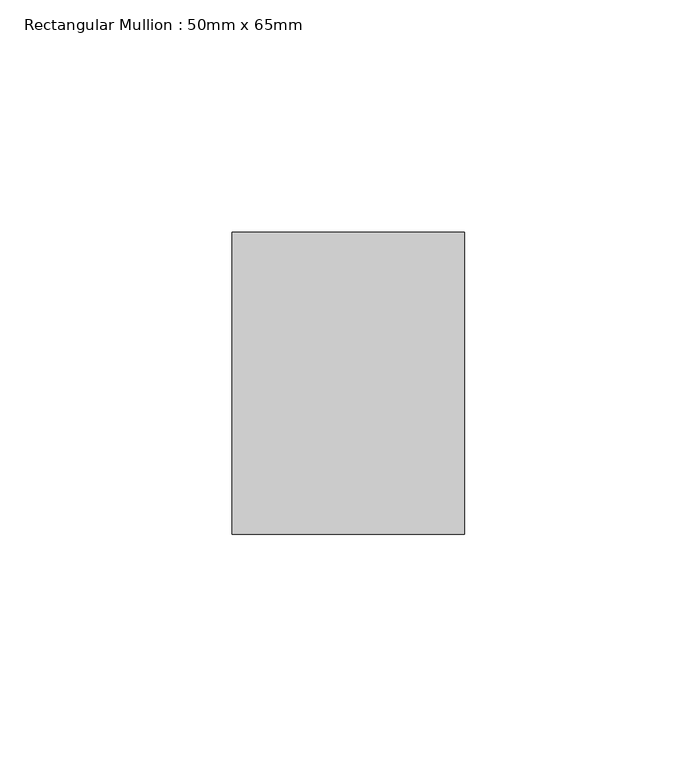
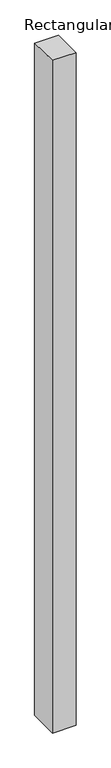
"""IFC4 building model written with IfcOpenShell, lengths in millimetres: member geometry, Rectangular Mullion : 50mm x 65mm."""

import ifcopenshell
import ifcopenshell.guid

model = None  # the IFC model being written
_history = None  # IfcOwnerHistory: only IFC2X3 demands one
_inside = {}  # id of a spatial element -> (the spatial element, [elements in it])
_under = {}  # id of a project, library or spatial element -> (it, [spatial elements below it])
_declared = {}  # id of a project -> (the project, [libraries it declares])
_typed = {}  # id of a type object -> (the type object, [elements of that type])
_made_of = {}  # id of a material, layer set ... -> (it, [elements and type objects made of it])


def new_model(schema):
    """Start an empty IFC model of exactly this schema.

    Asked for "IFC4X3", IfcOpenShell would pick the latest addendum, in which some entities
    have other attributes; the version numbers below select the first issue.
    IFC2X3 requires an IfcOwnerHistory on every rooted entity: one is made here for all.
    """
    global model, _history
    if schema == "IFC4X3":
        model = ifcopenshell.file(schema_version=(4, 3, 0, 0))
    else:
        model = ifcopenshell.file(schema=schema)
    _inside.clear()
    _under.clear()
    _declared.clear()
    _typed.clear()
    _made_of.clear()
    _history = None
    if model.schema == "IFC2X3":
        org = make("IfcOrganization", Name="unknown")
        user = make(
            "IfcPersonAndOrganization",
            ThePerson=make("IfcPerson", FamilyName="unknown"),
            TheOrganization=org,
        )
        app = make(
            "IfcApplication",
            ApplicationDeveloper=org,
            Version="unknown",
            ApplicationFullName="unknown",
            ApplicationIdentifier="unknown",
        )
        _history = make(
            "IfcOwnerHistory",
            OwningUser=user,
            OwningApplication=app,
            ChangeAction="ADDED",
            CreationDate=0,
        )
    return model


def make(cls, **values):
    """One entity of the class cls with the attributes given. An attribute that is None is left unset."""
    return model.create_entity(
        cls, **{name: value for name, value in values.items() if value is not None}
    )


def rooted(cls, **values):
    """An entity with a GlobalId (a new one), such as an element, a storey or a relation."""
    return make(cls, GlobalId=ifcopenshell.guid.new(), OwnerHistory=_history, **values)


def si_unit(unit_type, name, prefix=None):
    """IfcSIUnit, for example si_unit("LENGTHUNIT", "METRE", prefix="MILLI")."""
    return make("IfcSIUnit", UnitType=unit_type, Prefix=prefix, Name=name)


def assignment(units):
    """IfcUnitAssignment: the units of a project."""
    return None if units is None else make("IfcUnitAssignment", Units=units)


def point(xyz):
    """IfcCartesianPoint."""
    return None if xyz is None else make("IfcCartesianPoint", Coordinates=xyz)


def direction(xyz):
    """IfcDirection."""
    return None if xyz is None else make("IfcDirection", DirectionRatios=xyz)


def frame(location, z_axis=None, x_axis=None):
    """IfcAxis2Placement3D, a coordinate frame: its origin and axes. An axis left out is left unset."""
    return make(
        "IfcAxis2Placement3D",
        Location=point(location),
        Axis=direction(z_axis),
        RefDirection=direction(x_axis),
    )


def origin():
    """The frame at (0, 0, 0) with its axes left unset."""
    return frame((0.0, 0.0, 0.0))


def place(relative_to, where):
    """IfcLocalPlacement: puts the frame where relative to a parent placement (None: the world)."""
    return make(
        "IfcLocalPlacement", PlacementRelTo=relative_to, RelativePlacement=where
    )


def context(
    kind, dimensions, precision=None, world=None, true_north=None, identifier=None
):
    """IfcGeometricRepresentationContext, for example the 3D "Model" context."""
    return make(
        "IfcGeometricRepresentationContext",
        ContextIdentifier=identifier,
        ContextType=kind,
        CoordinateSpaceDimension=dimensions,
        Precision=precision,
        WorldCoordinateSystem=world,
        TrueNorth=true_north,
    )


def project(units=None, contexts=None):
    """IfcProject with its units and contexts."""
    return rooted(
        "IfcProject",
        Name="project",
        RepresentationContexts=contexts,
        UnitsInContext=assignment(units),
    )


def spatial(cls, under=None, at=None, **own):
    """A site, building, storey or space (cls), placed at a placement, below another one or the project."""
    s = rooted(cls, ObjectPlacement=at, **own)
    if under is not None:
        _under.setdefault(under.id(), (under, []))[1].append(s)
    return s


def faces_of(points, faces, orient=None, outer=None):
    """IfcFace entities. A face is a list of loops; a loop is a list of indices into points, from 0.

    orient and outer hold one flag for each loop. By default every Orientation is true, the
    first loop of a face is its IfcFaceOuterBound and the others are IfcFaceBound.
    """
    made = []
    for i, loops in enumerate(faces):
        bounds = []
        for j, loop in enumerate(loops):
            is_outer = j == 0 if outer is None else outer[i][j]
            bounds.append(
                make(
                    "IfcFaceOuterBound" if is_outer else "IfcFaceBound",
                    Bound=make("IfcPolyLoop", Polygon=[points[k] for k in loop]),
                    Orientation=True if orient is None else orient[i][j],
                )
            )
        made.append(make("IfcFace", Bounds=bounds))
    return made


def faceted_brep(points, faces, orient=None, outer=None, voids=None):
    """IfcFacetedBrep: a solid bounded by flat faces; with voids (closed shells), ...WithVoids."""
    shared = [point(p) for p in points]
    hull = make("IfcClosedShell", CfsFaces=faces_of(shared, faces, orient, outer))
    if voids is None:
        return make("IfcFacetedBrep", Outer=hull)
    return make(
        "IfcFacetedBrepWithVoids",
        Outer=hull,
        Voids=[
            make(cls, CfsFaces=faces_of(shared, fs, o, b)) for cls, fs, o, b in voids
        ],
    )


def shape(context_of_items, identifier, shape_type, items):
    """IfcShapeRepresentation: the items that make up one representation, for example the "Body"."""
    return make(
        "IfcShapeRepresentation",
        ContextOfItems=context_of_items,
        RepresentationIdentifier=identifier,
        RepresentationType=shape_type,
        Items=items,
    )


def source(mapping_origin, context_of_items, identifier, shape_type, items):
    """IfcRepresentationMap: a shape defined once, which mapped items show again and again."""
    return make(
        "IfcRepresentationMap",
        MappingOrigin=mapping_origin,
        MappedRepresentation=shape(context_of_items, identifier, shape_type, items),
    )


def transform(
    local_origin,
    x_axis=None,
    y_axis=None,
    z_axis=None,
    scale=None,
    scale2=None,
    scale3=None,
    uniform=True,
):
    """IfcCartesianTransformationOperator3D, or its non-uniform kind. x_axis, y_axis, z_axis: its Axis1, 2, 3."""
    if uniform:
        return make(
            "IfcCartesianTransformationOperator3D",
            Axis1=direction(x_axis),
            Axis2=direction(y_axis),
            LocalOrigin=point(local_origin),
            Scale=scale,
            Axis3=direction(z_axis),
        )
    return make(
        "IfcCartesianTransformationOperator3DnonUniform",
        Axis1=direction(x_axis),
        Axis2=direction(y_axis),
        LocalOrigin=point(local_origin),
        Scale=scale,
        Axis3=direction(z_axis),
        Scale2=scale2,
        Scale3=scale3,
    )


def mapped(mapping_source, mapping_target):
    """IfcMappedItem: shows the shape of a source again, moved by a transform."""
    return make(
        "IfcMappedItem", MappingSource=mapping_source, MappingTarget=mapping_target
    )


def made_of(thing, what):
    """Note that an element or type object is made of a material, layer set ...; save() writes the relation."""
    if what is not None:
        _made_of.setdefault(what.id(), (what, []))[1].append(thing)
    return thing


def element(
    cls,
    number,
    at=None,
    inside=None,
    cuts=None,
    type_object=None,
    material=None,
    context=None,
    identifier="Body",
    shape_type=None,
    held_by="IfcProductDefinitionShape",
    body=None,
    shapes=None,
    **own,
):
    """One element of the class cls, such as IfcWall. Its Tag is "e" and its number.

    at: its placement. inside: the storey or other place that contains it. cuts: it is an
    opening in that element (IfcRelVoidsElement). A single representation is given by context,
    identifier, shape_type and body (its items); several are given by shapes. held_by: the class
    of the entity that holds the representations. save() writes the other relations.
    """
    e = rooted(cls, Tag="e%d" % number, ObjectPlacement=at, **own)
    if body is not None:
        shapes = [shape(context, identifier, shape_type, body)]
    if shapes is not None:
        e.Representation = make(held_by, Representations=shapes)
    if inside is not None:
        _inside.setdefault(inside.id(), (inside, []))[1].append(e)
    if cuts is not None:
        rooted(
            "IfcRelVoidsElement", RelatingBuildingElement=cuts, RelatedOpeningElement=e
        )
    if type_object is not None:
        _typed.setdefault(type_object.id(), (type_object, []))[1].append(e)
    return made_of(e, material)


def aggregate(whole, parts):
    """IfcRelAggregates: a whole, such as a stair, and the parts it consists of."""
    return rooted("IfcRelAggregates", RelatingObject=whole, RelatedObjects=parts)


def save(model, path):
    """Write the relations noted so far, then the file.

    IfcRelAggregates (storeys below a building ...), IfcRelContainedInSpatialStructure (elements
    in a storey), IfcRelDefinesByType, IfcRelAssociatesMaterial and IfcRelDeclares: one each for
    every whole, place, type object, material and project.
    """
    for whole, parts in _under.values():
        aggregate(whole, parts)
    for where, things in _inside.values():
        rooted(
            "IfcRelContainedInSpatialStructure",
            RelatedElements=things,
            RelatingStructure=where,
        )
    for kind, things in _typed.values():
        rooted("IfcRelDefinesByType", RelatedObjects=things, RelatingType=kind)
    for what, things in _made_of.values():
        rooted("IfcRelAssociatesMaterial", RelatedObjects=things, RelatingMaterial=what)
    for by, libraries in _declared.values():
        rooted("IfcRelDeclares", RelatingContext=by, RelatedDefinitions=libraries)
    model.write(path)


def rectangular_mullion_50mm_x_65mm_6a02c0ce(model_context):
    return source(origin(), model_context, "Body", "Brep", [
        faceted_brep([(-25.0, 32.5, -0.4073256), (25.0, 32.5, -0.407326), (25.0, 32.5, -1499.6938108), (-25.0, 32.5, -1499.693811), (-25.0, -32.5, 0.407326), (-25.0, -32.5, -1500.3052578), (25.0, -32.5, 0.4073256), (25.0, -32.5, -1500.3052575)], [[[0, 1, 2, 3]], [[4, 0, 3, 5]], [[6, 4, 5, 7]], [[1, 6, 7, 2]], [[1, 0, 4, 6]], [[2, 7, 5, 3]]]),
    ])


if __name__ == "__main__":
    model = new_model("IFC4")
    model_context = context("Model", 3, world=origin())
    ifc_project = project(units=[si_unit("LENGTHUNIT", "METRE", prefix="MILLI")], contexts=[model_context])
    site = spatial("IfcSite", under=ifc_project)
    building = spatial("IfcBuilding", under=site)
    placement = place(None, origin())
    rectangular_mullion_50mm_x_65mm_shape = rectangular_mullion_50mm_x_65mm_6a02c0ce(model_context)
    element("IfcMember", 1, ObjectType="Rectangular Mullion : 50mm x 65mm", at=placement, inside=building, context=model_context, shape_type="MappedRepresentation", body=[
        mapped(rectangular_mullion_50mm_x_65mm_shape, transform((0.0, 0.0, 0.0), x_axis=(1.0, 0.0, 0.0), y_axis=(0.0, 1.0, 0.0), z_axis=(0.0, 0.0, 1.0))),
    ])
    save(model, "model.ifc")
